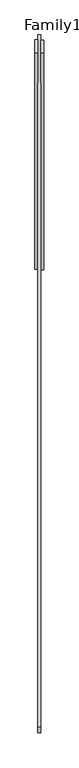
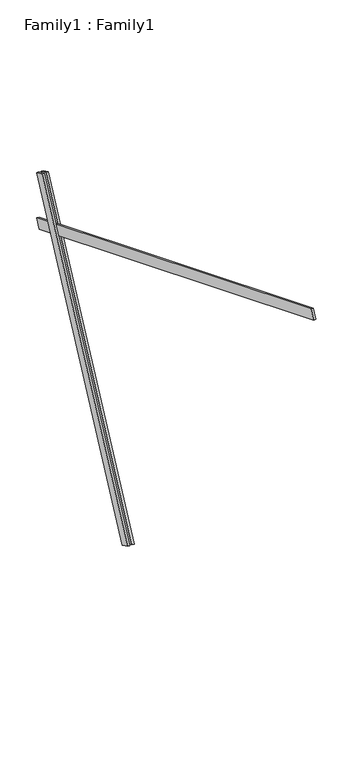
"""IFC4 building model written with IfcOpenShell, lengths in millimetres: proxy geometry, Family1 : Family1."""

from ifc_helpers import new_model, si_unit, frame, origin, place, context, project, spatial, polyline, outline, extrude, source, transform, mapped, element, save


def family1_family1_d06673c2(model_context):
    return source(origin(), model_context, "Body", "SweptSolid", [
        extrude(outline(polyline([(0.0, 0.0), (0.0, -20.0), (-100.0000001, -20.0), (-100.0000001, 0.0), (0.0, 0.0)])), frame((-30.0, 46.3241747, -22.5938096), z_axis=(0.0, 0.4383711467890692, 0.8987940462991711), x_axis=(0.0, 0.8987940462991711, -0.4383711467890692)), (0.0, 0.0, 1.0), 3300.0),
        extrude(outline(polyline([(0.0, 0.0), (0.0, -20.0), (-99.9999999, -20.0), (-99.9999999, 0.0), (0.0, 0.0)])), frame((10.0, 45.270232, -22.0797674), z_axis=(0.0, 0.4383711467890692, 0.8987940462991711), x_axis=(0.0, 0.8987940462991711, -0.4383711467890692)), (0.0, 0.0, 1.0), 3300.0),
        extrude(outline(polyline([(0.0, -20.0), (0.0, 0.0), (5000.0, 0.0), (5000.0, -20.0), (0.0, -20.0)])), frame((-10.0, -3147.4442108, 4230.2642299), z_axis=(0.0, 0.3746065934159143, 0.9271838545667865), x_axis=(0.0, 0.9271838545667865, -0.3746065934159143)), (0.0, 0.0, 1.0), 100.0),
    ])


if __name__ == "__main__":
    model = new_model("IFC4")
    model_context = context("Model", 3, world=origin())
    ifc_project = project(units=[si_unit("LENGTHUNIT", "METRE", prefix="MILLI")], contexts=[model_context])
    site = spatial("IfcSite", under=ifc_project)
    building = spatial("IfcBuilding", under=site)
    placement = place(None, origin())
    family1_family1_shape = family1_family1_d06673c2(model_context)
    element("IfcBuildingElementProxy", 1, Name="Family1 : Family1", ObjectType="Family1 : Family1", at=placement, inside=building, context=model_context, shape_type="MappedRepresentation", body=[
        mapped(family1_family1_shape, transform((0.0, 0.0, 0.0), x_axis=(1.0, 0.0, 0.0), y_axis=(0.0, 1.0, 0.0), z_axis=(0.0, 0.0, 1.0))),
    ])
    save(model, "model.ifc")
